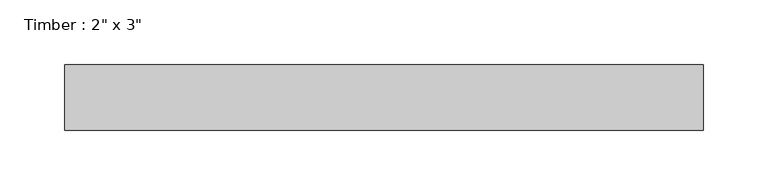
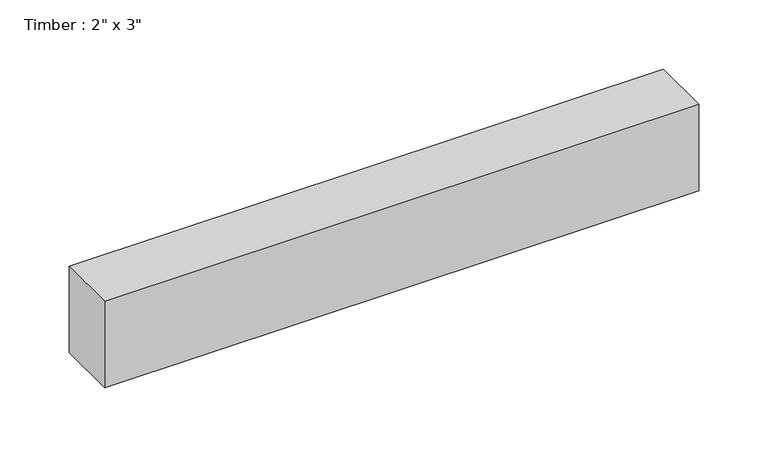
"""IFC4 building model written with IfcOpenShell, lengths in millimetres: beam geometry."""

from ifc_helpers import new_model, si_unit, frame, origin, place, context, project, spatial, polyline, outline, extrude, source, transform, mapped, element, save


def beam_93d78439(model_context):
    return source(origin(), model_context, "Body", "SweptSolid", [
        extrude(outline(polyline([(247.4931235, -25.4), (-247.4931235, -25.4), (-247.4931235, 25.4), (247.4931235, 25.4), (247.4931235, -25.4)])), frame((0.0, 0.0, -38.1), z_axis=(0.0, 0.0, 1.0), x_axis=(1.0, 0.0, 0.0)), (0.0, 0.0, 1.0), 76.2),
    ])


if __name__ == "__main__":
    model = new_model("IFC4")
    model_context = context("Model", 3, world=origin())
    ifc_project = project(units=[si_unit("LENGTHUNIT", "METRE", prefix="MILLI")], contexts=[model_context])
    site = spatial("IfcSite", under=ifc_project)
    building = spatial("IfcBuilding", under=site)
    placement = place(None, origin())
    beam_shape = beam_93d78439(model_context)
    element("IfcBeam", 1, ObjectType="Timber : 2\" x 3\"", at=placement, inside=building, context=model_context, shape_type="MappedRepresentation", body=[
        mapped(beam_shape, transform((0.0, 0.0, 0.0), x_axis=(1.0, 0.0, 0.0), y_axis=(0.0, 1.0, 0.0), z_axis=(0.0, 0.0, 1.0))),
    ])
    save(model, "model.ifc")
